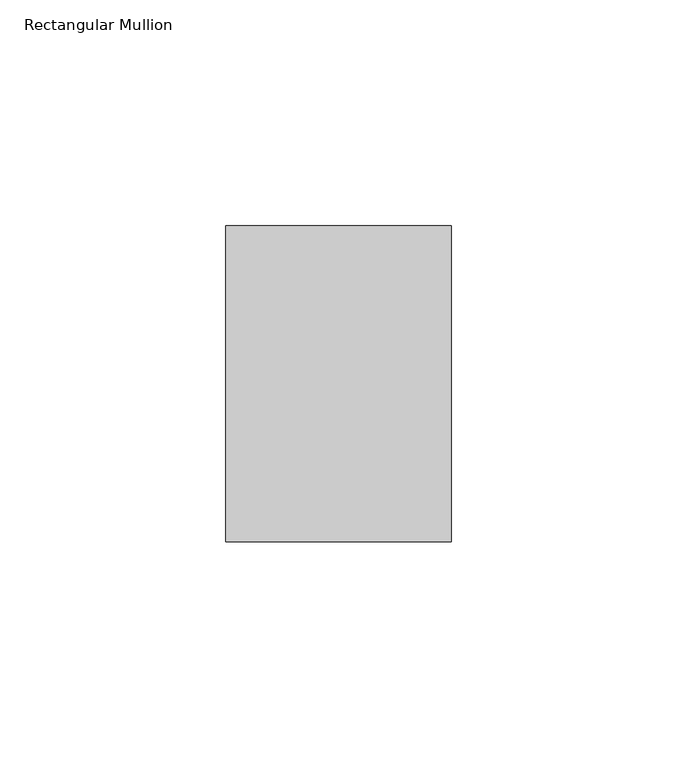
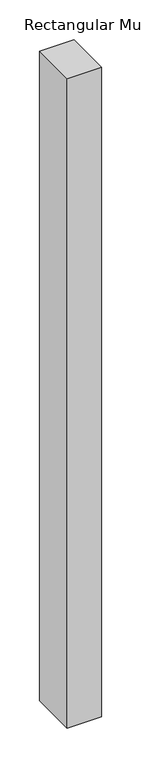
"""IFC4 building model written with IfcOpenShell, lengths in millimetres: member geometry, Rectangular Mullion."""

from ifc_helpers import new_model, si_unit, frame, origin, place, context, project, spatial, polyline, outline, extrude, source, transform, mapped, element, save


def rectangular_mullion_0b8bb1c1(model_context):
    return source(origin(), model_context, "Body", "SweptSolid", [
        extrude(outline(polyline([(0.0, 35.0), (0.0, -35.0), (-50.0, -35.0), (-50.0, 35.0), (0.0, 35.0)])), frame((0.0, 0.0, -1000.0), z_axis=(0.0, 0.0, 1.0), x_axis=(1.0, 0.0, 0.0)), (0.0, 0.0, 1.0), 1000.0),
    ])


if __name__ == "__main__":
    model = new_model("IFC4")
    model_context = context("Model", 3, world=origin())
    ifc_project = project(units=[si_unit("LENGTHUNIT", "METRE", prefix="MILLI")], contexts=[model_context])
    site = spatial("IfcSite", under=ifc_project)
    building = spatial("IfcBuilding", under=site)
    placement = place(None, origin())
    rectangular_mullion_shape = rectangular_mullion_0b8bb1c1(model_context)
    element("IfcMember", 1, ObjectType="Rectangular Mullion", at=placement, inside=building, context=model_context, shape_type="MappedRepresentation", body=[
        mapped(rectangular_mullion_shape, transform((0.0, 0.0, 0.0), x_axis=(1.0, 0.0, 0.0), y_axis=(0.0, 1.0, 0.0), z_axis=(0.0, 0.0, 1.0))),
    ])
    save(model, "model.ifc")
